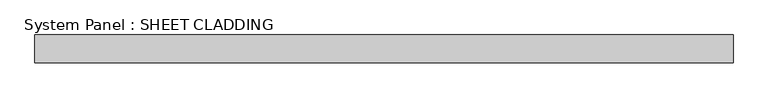
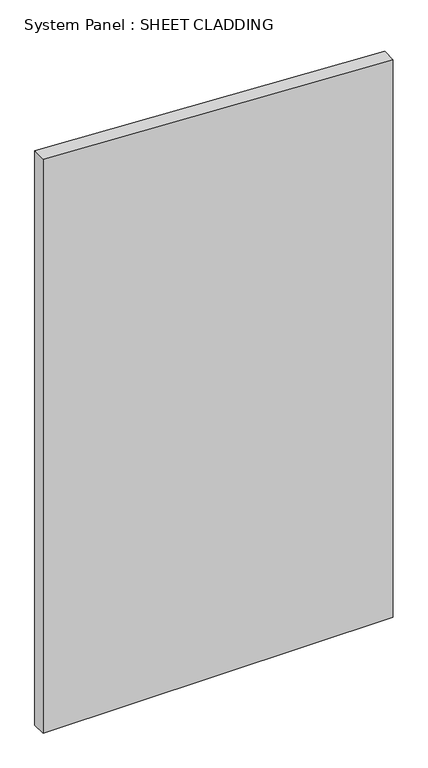
"""IFC4 building model written with IfcOpenShell, lengths in millimetres: plate geometry, System Panel : SHEET CLADDING."""

from ifc_helpers import new_model, si_unit, frame, origin, place, context, project, spatial, polyline, outline, extrude, source, transform, mapped, element, save


def system_panel_sheet_cladding_10168de7(model_context):
    return source(origin(), model_context, "Body", "SweptSolid", [
        extrude(outline(polyline([(0.0, -750.0), (0.0, 750.0), (2522.5, 750.0), (2597.5, -750.0), (0.0, -750.0)])), frame((0.0, -10.5, 0.0), z_axis=(0.0, 1.0, 0.0), x_axis=(0.0, 0.0, 1.0)), (0.0, 0.0, 1.0), 60.0),
    ])


if __name__ == "__main__":
    model = new_model("IFC4")
    model_context = context("Model", 3, world=origin())
    ifc_project = project(units=[si_unit("LENGTHUNIT", "METRE", prefix="MILLI")], contexts=[model_context])
    site = spatial("IfcSite", under=ifc_project)
    building = spatial("IfcBuilding", under=site)
    placement = place(None, origin())
    system_panel_sheet_cladding_shape = system_panel_sheet_cladding_10168de7(model_context)
    element("IfcPlate", 1, ObjectType="System Panel : SHEET CLADDING", at=placement, inside=building, context=model_context, shape_type="MappedRepresentation", body=[
        mapped(system_panel_sheet_cladding_shape, transform((0.0, 0.0, 0.0), x_axis=(1.0, 0.0, 0.0), y_axis=(0.0, 1.0, 0.0), z_axis=(0.0, 0.0, 1.0))),
    ])
    save(model, "model.ifc")
